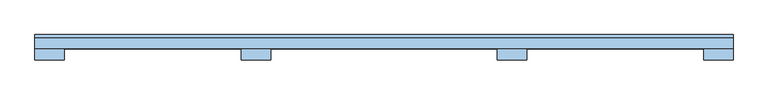
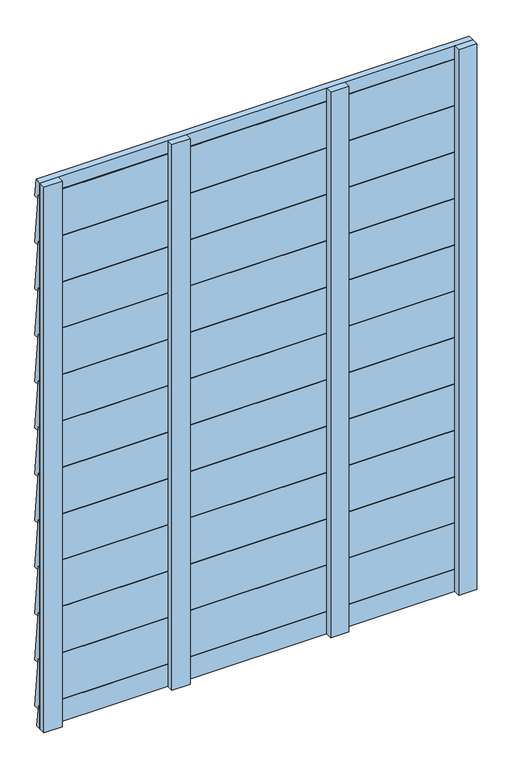
"""IFC4 building model written with IfcOpenShell, lengths in millimetres: window geometry."""

import ifcopenshell
import ifcopenshell.guid

model = None  # the IFC model being written
_history = None  # IfcOwnerHistory: only IFC2X3 demands one
_inside = {}  # id of a spatial element -> (the spatial element, [elements in it])
_under = {}  # id of a project, library or spatial element -> (it, [spatial elements below it])
_declared = {}  # id of a project -> (the project, [libraries it declares])
_typed = {}  # id of a type object -> (the type object, [elements of that type])
_made_of = {}  # id of a material, layer set ... -> (it, [elements and type objects made of it])


def new_model(schema):
    """Start an empty IFC model of exactly this schema.

    Asked for "IFC4X3", IfcOpenShell would pick the latest addendum, in which some entities
    have other attributes; the version numbers below select the first issue.
    IFC2X3 requires an IfcOwnerHistory on every rooted entity: one is made here for all.
    """
    global model, _history
    if schema == "IFC4X3":
        model = ifcopenshell.file(schema_version=(4, 3, 0, 0))
    else:
        model = ifcopenshell.file(schema=schema)
    _inside.clear()
    _under.clear()
    _declared.clear()
    _typed.clear()
    _made_of.clear()
    _history = None
    if model.schema == "IFC2X3":
        org = make("IfcOrganization", Name="unknown")
        user = make(
            "IfcPersonAndOrganization",
            ThePerson=make("IfcPerson", FamilyName="unknown"),
            TheOrganization=org,
        )
        app = make(
            "IfcApplication",
            ApplicationDeveloper=org,
            Version="unknown",
            ApplicationFullName="unknown",
            ApplicationIdentifier="unknown",
        )
        _history = make(
            "IfcOwnerHistory",
            OwningUser=user,
            OwningApplication=app,
            ChangeAction="ADDED",
            CreationDate=0,
        )
    return model


def make(cls, **values):
    """One entity of the class cls with the attributes given. An attribute that is None is left unset."""
    return model.create_entity(
        cls, **{name: value for name, value in values.items() if value is not None}
    )


def rooted(cls, **values):
    """An entity with a GlobalId (a new one), such as an element, a storey or a relation."""
    return make(cls, GlobalId=ifcopenshell.guid.new(), OwnerHistory=_history, **values)


def si_unit(unit_type, name, prefix=None):
    """IfcSIUnit, for example si_unit("LENGTHUNIT", "METRE", prefix="MILLI")."""
    return make("IfcSIUnit", UnitType=unit_type, Prefix=prefix, Name=name)


def assignment(units):
    """IfcUnitAssignment: the units of a project."""
    return None if units is None else make("IfcUnitAssignment", Units=units)


def point(xyz):
    """IfcCartesianPoint."""
    return None if xyz is None else make("IfcCartesianPoint", Coordinates=xyz)


def direction(xyz):
    """IfcDirection."""
    return None if xyz is None else make("IfcDirection", DirectionRatios=xyz)


def frame(location, z_axis=None, x_axis=None):
    """IfcAxis2Placement3D, a coordinate frame: its origin and axes. An axis left out is left unset."""
    return make(
        "IfcAxis2Placement3D",
        Location=point(location),
        Axis=direction(z_axis),
        RefDirection=direction(x_axis),
    )


def origin():
    """The frame at (0, 0, 0) with its axes left unset."""
    return frame((0.0, 0.0, 0.0))


def place(relative_to, where):
    """IfcLocalPlacement: puts the frame where relative to a parent placement (None: the world)."""
    return make(
        "IfcLocalPlacement", PlacementRelTo=relative_to, RelativePlacement=where
    )


def context(
    kind, dimensions, precision=None, world=None, true_north=None, identifier=None
):
    """IfcGeometricRepresentationContext, for example the 3D "Model" context."""
    return make(
        "IfcGeometricRepresentationContext",
        ContextIdentifier=identifier,
        ContextType=kind,
        CoordinateSpaceDimension=dimensions,
        Precision=precision,
        WorldCoordinateSystem=world,
        TrueNorth=true_north,
    )


def project(units=None, contexts=None):
    """IfcProject with its units and contexts."""
    return rooted(
        "IfcProject",
        Name="project",
        RepresentationContexts=contexts,
        UnitsInContext=assignment(units),
    )


def spatial(cls, under=None, at=None, **own):
    """A site, building, storey or space (cls), placed at a placement, below another one or the project."""
    s = rooted(cls, ObjectPlacement=at, **own)
    if under is not None:
        _under.setdefault(under.id(), (under, []))[1].append(s)
    return s


def polyline(points):
    """IfcPolyline through the points."""
    return make("IfcPolyline", Points=[point(p) for p in points])


def outline(outer, holes=None, kind="AREA"):
    """IfcArbitraryClosedProfileDef: a profile drawn as a closed curve; with holes, ...WithVoids."""
    if holes is None:
        return make("IfcArbitraryClosedProfileDef", ProfileType=kind, OuterCurve=outer)
    return make(
        "IfcArbitraryProfileDefWithVoids",
        ProfileType=kind,
        OuterCurve=outer,
        InnerCurves=holes,
    )


def extrude(swept, where, along, depth):
    """IfcExtrudedAreaSolid: the profile swept, set in the frame where, extruded along a direction by depth."""
    return make(
        "IfcExtrudedAreaSolid",
        SweptArea=swept,
        Position=where,
        ExtrudedDirection=direction(along),
        Depth=depth,
    )


def shape(context_of_items, identifier, shape_type, items):
    """IfcShapeRepresentation: the items that make up one representation, for example the "Body"."""
    return make(
        "IfcShapeRepresentation",
        ContextOfItems=context_of_items,
        RepresentationIdentifier=identifier,
        RepresentationType=shape_type,
        Items=items,
    )


def source(mapping_origin, context_of_items, identifier, shape_type, items):
    """IfcRepresentationMap: a shape defined once, which mapped items show again and again."""
    return make(
        "IfcRepresentationMap",
        MappingOrigin=mapping_origin,
        MappedRepresentation=shape(context_of_items, identifier, shape_type, items),
    )


def transform(
    local_origin,
    x_axis=None,
    y_axis=None,
    z_axis=None,
    scale=None,
    scale2=None,
    scale3=None,
    uniform=True,
):
    """IfcCartesianTransformationOperator3D, or its non-uniform kind. x_axis, y_axis, z_axis: its Axis1, 2, 3."""
    if uniform:
        return make(
            "IfcCartesianTransformationOperator3D",
            Axis1=direction(x_axis),
            Axis2=direction(y_axis),
            LocalOrigin=point(local_origin),
            Scale=scale,
            Axis3=direction(z_axis),
        )
    return make(
        "IfcCartesianTransformationOperator3DnonUniform",
        Axis1=direction(x_axis),
        Axis2=direction(y_axis),
        LocalOrigin=point(local_origin),
        Scale=scale,
        Axis3=direction(z_axis),
        Scale2=scale2,
        Scale3=scale3,
    )


def mapped(mapping_source, mapping_target):
    """IfcMappedItem: shows the shape of a source again, moved by a transform."""
    return make(
        "IfcMappedItem", MappingSource=mapping_source, MappingTarget=mapping_target
    )


def made_of(thing, what):
    """Note that an element or type object is made of a material, layer set ...; save() writes the relation."""
    if what is not None:
        _made_of.setdefault(what.id(), (what, []))[1].append(thing)
    return thing


def element(
    cls,
    number,
    at=None,
    inside=None,
    cuts=None,
    type_object=None,
    material=None,
    context=None,
    identifier="Body",
    shape_type=None,
    held_by="IfcProductDefinitionShape",
    body=None,
    shapes=None,
    **own,
):
    """One element of the class cls, such as IfcWall. Its Tag is "e" and its number.

    at: its placement. inside: the storey or other place that contains it. cuts: it is an
    opening in that element (IfcRelVoidsElement). A single representation is given by context,
    identifier, shape_type and body (its items); several are given by shapes. held_by: the class
    of the entity that holds the representations. save() writes the other relations.
    """
    e = rooted(cls, Tag="e%d" % number, ObjectPlacement=at, **own)
    if body is not None:
        shapes = [shape(context, identifier, shape_type, body)]
    if shapes is not None:
        e.Representation = make(held_by, Representations=shapes)
    if inside is not None:
        _inside.setdefault(inside.id(), (inside, []))[1].append(e)
    if cuts is not None:
        rooted(
            "IfcRelVoidsElement", RelatingBuildingElement=cuts, RelatedOpeningElement=e
        )
    if type_object is not None:
        _typed.setdefault(type_object.id(), (type_object, []))[1].append(e)
    return made_of(e, material)


def aggregate(whole, parts):
    """IfcRelAggregates: a whole, such as a stair, and the parts it consists of."""
    return rooted("IfcRelAggregates", RelatingObject=whole, RelatedObjects=parts)


def save(model, path):
    """Write the relations noted so far, then the file.

    IfcRelAggregates (storeys below a building ...), IfcRelContainedInSpatialStructure (elements
    in a storey), IfcRelDefinesByType, IfcRelAssociatesMaterial and IfcRelDeclares: one each for
    every whole, place, type object, material and project.
    """
    for whole, parts in _under.values():
        aggregate(whole, parts)
    for where, things in _inside.values():
        rooted(
            "IfcRelContainedInSpatialStructure",
            RelatedElements=things,
            RelatingStructure=where,
        )
    for kind, things in _typed.values():
        rooted("IfcRelDefinesByType", RelatedObjects=things, RelatingType=kind)
    for what, things in _made_of.values():
        rooted("IfcRelAssociatesMaterial", RelatedObjects=things, RelatingMaterial=what)
    for by, libraries in _declared.values():
        rooted("IfcRelDeclares", RelatingContext=by, RelatedDefinitions=libraries)
    model.write(path)


def window_c0f28749(model_context):
    return source(origin(), model_context, "Body", "SweptSolid", [
        extrude(outline(polyline([(132.4476803, 350.0), (154.0, 165.0), (134.4838046, 165.9114287), (134.4838046, 182.0), (124.4838046, 182.0), (124.4838046, 350.0), (132.4476803, 350.0)])), frame((-750.0, 0.0, 0.0), z_axis=(1.0, 0.0, 0.0), x_axis=(0.0, 1.0, 0.0)), (0.0, 0.0, 1.0), 1500.0),
        extrude(outline(polyline([(132.4476803, 520.0), (154.0, 335.0), (134.4838046, 335.9114287), (134.4838046, 352.0), (124.4838046, 352.0), (124.4838046, 520.0), (132.4476803, 520.0)])), frame((-750.0, 0.0, 0.0), z_axis=(1.0, 0.0, 0.0), x_axis=(0.0, 1.0, 0.0)), (0.0, 0.0, 1.0), 1500.0),
        extrude(outline(polyline([(132.4476803, 690.0), (154.0, 505.0), (134.4838046, 505.9114287), (134.4838046, 522.0), (124.4838046, 522.0), (124.4838046, 690.0), (132.4476803, 690.0)])), frame((-750.0, 0.0, 0.0), z_axis=(1.0, 0.0, 0.0), x_axis=(0.0, 1.0, 0.0)), (0.0, 0.0, 1.0), 1500.0),
        extrude(outline(polyline([(132.4476803, 860.0), (154.0, 675.0), (134.4838046, 675.9114287), (134.4838046, 692.0), (124.4838046, 692.0), (124.4838046, 860.0), (132.4476803, 860.0)])), frame((-750.0, 0.0, 0.0), z_axis=(1.0, 0.0, 0.0), x_axis=(0.0, 1.0, 0.0)), (0.0, 0.0, 1.0), 1500.0),
        extrude(outline(polyline([(132.4476803, 1030.0), (154.0, 845.0), (134.4838046, 845.9114287), (134.4838046, 862.0), (124.4838046, 862.0), (124.4838046, 1030.0), (132.4476803, 1030.0)])), frame((-750.0, 0.0, 0.0), z_axis=(1.0, 0.0, 0.0), x_axis=(0.0, 1.0, 0.0)), (0.0, 0.0, 1.0), 1500.0),
        extrude(outline(polyline([(132.4476803, 1200.0), (154.0, 1015.0), (134.4838046, 1015.9114287), (134.4838046, 1032.0), (124.4838046, 1032.0), (124.4838046, 1200.0), (132.4476803, 1200.0)])), frame((-750.0, 0.0, 0.0), z_axis=(1.0, 0.0, 0.0), x_axis=(0.0, 1.0, 0.0)), (0.0, 0.0, 1.0), 1500.0),
        extrude(outline(polyline([(132.4476803, 1370.0), (154.0, 1185.0), (134.4838046, 1185.9114287), (134.4838046, 1202.0), (124.4838046, 1202.0), (124.4838046, 1370.0), (132.4476803, 1370.0)])), frame((-750.0, 0.0, 0.0), z_axis=(1.0, 0.0, 0.0), x_axis=(0.0, 1.0, 0.0)), (0.0, 0.0, 1.0), 1500.0),
        extrude(outline(polyline([(132.4476803, 1540.0), (154.0, 1355.0), (134.4838046, 1355.9114287), (134.4838046, 1372.0), (124.4838046, 1372.0), (124.4838046, 1540.0), (132.4476803, 1540.0)])), frame((-750.0, 0.0, 0.0), z_axis=(1.0, 0.0, 0.0), x_axis=(0.0, 1.0, 0.0)), (0.0, 0.0, 1.0), 1500.0),
        extrude(outline(polyline([(132.4476803, 1710.0), (154.0, 1525.0), (134.4838046, 1525.9114287), (134.4838046, 1542.0), (124.4838046, 1542.0), (124.4838046, 1710.0), (132.4476803, 1710.0)])), frame((-750.0, 0.0, 0.0), z_axis=(1.0, 0.0, 0.0), x_axis=(0.0, 1.0, 0.0)), (0.0, 0.0, 1.0), 1500.0),
        extrude(outline(polyline([(132.4476803, 1880.0), (154.0, 1695.0), (134.4838046, 1695.9114287), (134.4838046, 1712.0), (124.4838046, 1712.0), (124.4838046, 1880.0), (132.4476803, 1880.0)])), frame((-750.0, 0.0, 0.0), z_axis=(1.0, 0.0, 0.0), x_axis=(0.0, 1.0, 0.0)), (0.0, 0.0, 1.0), 1500.0),
        extrude(outline(polyline([(132.4476803, 2050.0), (154.0, 1865.0), (134.4838046, 1865.9114287), (134.4838046, 1882.0), (124.4838046, 1882.0), (124.4838046, 2050.0), (132.4476803, 2050.0)])), frame((-750.0, 0.0, 0.0), z_axis=(1.0, 0.0, 0.0), x_axis=(0.0, 1.0, 0.0)), (0.0, 0.0, 1.0), 1500.0),
        extrude(outline(polyline([(131.9254859, 180.0), (141.5078843, 100.0), (124.0, 100.0), (124.0, 180.0), (131.9254859, 180.0)])), frame((-750.0, 0.0, 0.0), z_axis=(1.0, 0.0, 0.0), x_axis=(0.0, 1.0, 0.0)), (0.0, 0.0, 1.0), 1500.0),
        extrude(outline(polyline([(146.5440624, 2100.0), (154.0, 2036.0), (134.4943973, 2036.9114287), (134.4943973, 2053.0), (124.4943973, 2053.0), (124.4943973, 2100.0), (146.5440624, 2100.0)])), frame((-750.0, 0.0, 0.0), z_axis=(1.0, 0.0, 0.0), x_axis=(0.0, 1.0, 0.0)), (0.0, 0.0, 1.0), 1500.0),
        extrude(outline(polyline([(-306.5, 124.0), (-243.5, 124.0), (-243.5, 100.0), (-306.5, 100.0), (-306.5, 124.0)])), frame((0.0, 0.0, 100.0), z_axis=(0.0, 0.0, 1.0), x_axis=(1.0, 0.0, 0.0)), (0.0, 0.0, 1.0), 2000.0),
        extrude(outline(polyline([(243.5, 124.0), (306.5, 124.0), (306.5, 100.0), (243.5, 100.0), (243.5, 124.0)])), frame((0.0, 0.0, 100.0), z_axis=(0.0, 0.0, 1.0), x_axis=(1.0, 0.0, 0.0)), (0.0, 0.0, 1.0), 2000.0),
        extrude(outline(polyline([(-750.0, 124.0), (-687.0, 124.0), (-687.0, 100.0), (-750.0, 100.0), (-750.0, 124.0)])), frame((0.0, 0.0, 100.0), z_axis=(0.0, 0.0, 1.0), x_axis=(1.0, 0.0, 0.0)), (0.0, 0.0, 1.0), 2000.0),
        extrude(outline(polyline([(687.0, 124.0), (750.0, 124.0), (750.0, 100.0), (687.0, 100.0), (687.0, 124.0)])), frame((0.0, 0.0, 100.0), z_axis=(0.0, 0.0, 1.0), x_axis=(1.0, 0.0, 0.0)), (0.0, 0.0, 1.0), 2000.0),
    ])


if __name__ == "__main__":
    model = new_model("IFC4")
    model_context = context("Model", 3, world=origin())
    ifc_project = project(units=[si_unit("LENGTHUNIT", "METRE", prefix="MILLI")], contexts=[model_context])
    site = spatial("IfcSite", under=ifc_project)
    building = spatial("IfcBuilding", under=site)
    placement = place(None, origin())
    window_shape = window_c0f28749(model_context)
    element("IfcWindow", 1, at=placement, inside=building, context=model_context, shape_type="MappedRepresentation", body=[
        mapped(window_shape, transform((0.0, 0.0, 0.0), x_axis=(1.0, 0.0, 0.0), y_axis=(0.0, 1.0, 0.0), z_axis=(0.0, 0.0, 1.0))),
    ])
    save(model, "model.ifc")
